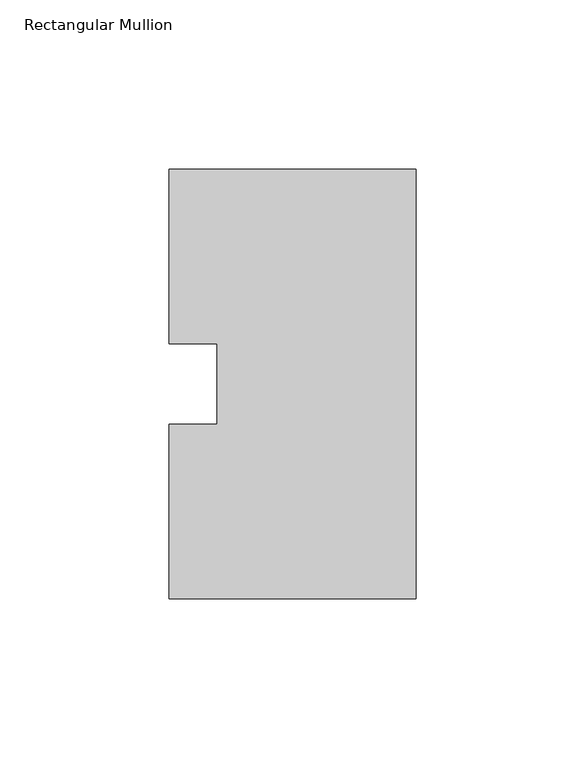
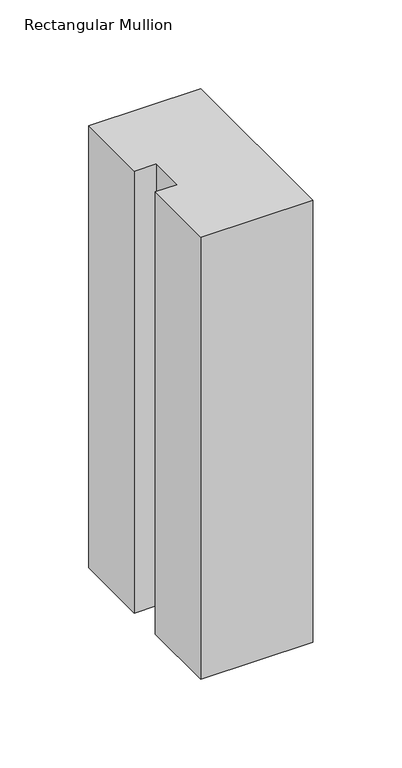
"""IFC4 building model written with IfcOpenShell, lengths in millimetres: member geometry, Rectangular Mullion."""

import ifcopenshell
import ifcopenshell.guid

model = None  # the IFC model being written
_history = None  # IfcOwnerHistory: only IFC2X3 demands one
_inside = {}  # id of a spatial element -> (the spatial element, [elements in it])
_under = {}  # id of a project, library or spatial element -> (it, [spatial elements below it])
_declared = {}  # id of a project -> (the project, [libraries it declares])
_typed = {}  # id of a type object -> (the type object, [elements of that type])
_made_of = {}  # id of a material, layer set ... -> (it, [elements and type objects made of it])


def new_model(schema):
    """Start an empty IFC model of exactly this schema.

    Asked for "IFC4X3", IfcOpenShell would pick the latest addendum, in which some entities
    have other attributes; the version numbers below select the first issue.
    IFC2X3 requires an IfcOwnerHistory on every rooted entity: one is made here for all.
    """
    global model, _history
    if schema == "IFC4X3":
        model = ifcopenshell.file(schema_version=(4, 3, 0, 0))
    else:
        model = ifcopenshell.file(schema=schema)
    _inside.clear()
    _under.clear()
    _declared.clear()
    _typed.clear()
    _made_of.clear()
    _history = None
    if model.schema == "IFC2X3":
        org = make("IfcOrganization", Name="unknown")
        user = make(
            "IfcPersonAndOrganization",
            ThePerson=make("IfcPerson", FamilyName="unknown"),
            TheOrganization=org,
        )
        app = make(
            "IfcApplication",
            ApplicationDeveloper=org,
            Version="unknown",
            ApplicationFullName="unknown",
            ApplicationIdentifier="unknown",
        )
        _history = make(
            "IfcOwnerHistory",
            OwningUser=user,
            OwningApplication=app,
            ChangeAction="ADDED",
            CreationDate=0,
        )
    return model


def make(cls, **values):
    """One entity of the class cls with the attributes given. An attribute that is None is left unset."""
    return model.create_entity(
        cls, **{name: value for name, value in values.items() if value is not None}
    )


def rooted(cls, **values):
    """An entity with a GlobalId (a new one), such as an element, a storey or a relation."""
    return make(cls, GlobalId=ifcopenshell.guid.new(), OwnerHistory=_history, **values)


def si_unit(unit_type, name, prefix=None):
    """IfcSIUnit, for example si_unit("LENGTHUNIT", "METRE", prefix="MILLI")."""
    return make("IfcSIUnit", UnitType=unit_type, Prefix=prefix, Name=name)


def assignment(units):
    """IfcUnitAssignment: the units of a project."""
    return None if units is None else make("IfcUnitAssignment", Units=units)


def point(xyz):
    """IfcCartesianPoint."""
    return None if xyz is None else make("IfcCartesianPoint", Coordinates=xyz)


def direction(xyz):
    """IfcDirection."""
    return None if xyz is None else make("IfcDirection", DirectionRatios=xyz)


def frame(location, z_axis=None, x_axis=None):
    """IfcAxis2Placement3D, a coordinate frame: its origin and axes. An axis left out is left unset."""
    return make(
        "IfcAxis2Placement3D",
        Location=point(location),
        Axis=direction(z_axis),
        RefDirection=direction(x_axis),
    )


def origin():
    """The frame at (0, 0, 0) with its axes left unset."""
    return frame((0.0, 0.0, 0.0))


def place(relative_to, where):
    """IfcLocalPlacement: puts the frame where relative to a parent placement (None: the world)."""
    return make(
        "IfcLocalPlacement", PlacementRelTo=relative_to, RelativePlacement=where
    )


def context(
    kind, dimensions, precision=None, world=None, true_north=None, identifier=None
):
    """IfcGeometricRepresentationContext, for example the 3D "Model" context."""
    return make(
        "IfcGeometricRepresentationContext",
        ContextIdentifier=identifier,
        ContextType=kind,
        CoordinateSpaceDimension=dimensions,
        Precision=precision,
        WorldCoordinateSystem=world,
        TrueNorth=true_north,
    )


def project(units=None, contexts=None):
    """IfcProject with its units and contexts."""
    return rooted(
        "IfcProject",
        Name="project",
        RepresentationContexts=contexts,
        UnitsInContext=assignment(units),
    )


def spatial(cls, under=None, at=None, **own):
    """A site, building, storey or space (cls), placed at a placement, below another one or the project."""
    s = rooted(cls, ObjectPlacement=at, **own)
    if under is not None:
        _under.setdefault(under.id(), (under, []))[1].append(s)
    return s


def polyline(points):
    """IfcPolyline through the points."""
    return make("IfcPolyline", Points=[point(p) for p in points])


def outline(outer, holes=None, kind="AREA"):
    """IfcArbitraryClosedProfileDef: a profile drawn as a closed curve; with holes, ...WithVoids."""
    if holes is None:
        return make("IfcArbitraryClosedProfileDef", ProfileType=kind, OuterCurve=outer)
    return make(
        "IfcArbitraryProfileDefWithVoids",
        ProfileType=kind,
        OuterCurve=outer,
        InnerCurves=holes,
    )


def extrude(swept, where, along, depth):
    """IfcExtrudedAreaSolid: the profile swept, set in the frame where, extruded along a direction by depth."""
    return make(
        "IfcExtrudedAreaSolid",
        SweptArea=swept,
        Position=where,
        ExtrudedDirection=direction(along),
        Depth=depth,
    )


def shape(context_of_items, identifier, shape_type, items):
    """IfcShapeRepresentation: the items that make up one representation, for example the "Body"."""
    return make(
        "IfcShapeRepresentation",
        ContextOfItems=context_of_items,
        RepresentationIdentifier=identifier,
        RepresentationType=shape_type,
        Items=items,
    )


def source(mapping_origin, context_of_items, identifier, shape_type, items):
    """IfcRepresentationMap: a shape defined once, which mapped items show again and again."""
    return make(
        "IfcRepresentationMap",
        MappingOrigin=mapping_origin,
        MappedRepresentation=shape(context_of_items, identifier, shape_type, items),
    )


def transform(
    local_origin,
    x_axis=None,
    y_axis=None,
    z_axis=None,
    scale=None,
    scale2=None,
    scale3=None,
    uniform=True,
):
    """IfcCartesianTransformationOperator3D, or its non-uniform kind. x_axis, y_axis, z_axis: its Axis1, 2, 3."""
    if uniform:
        return make(
            "IfcCartesianTransformationOperator3D",
            Axis1=direction(x_axis),
            Axis2=direction(y_axis),
            LocalOrigin=point(local_origin),
            Scale=scale,
            Axis3=direction(z_axis),
        )
    return make(
        "IfcCartesianTransformationOperator3DnonUniform",
        Axis1=direction(x_axis),
        Axis2=direction(y_axis),
        LocalOrigin=point(local_origin),
        Scale=scale,
        Axis3=direction(z_axis),
        Scale2=scale2,
        Scale3=scale3,
    )


def mapped(mapping_source, mapping_target):
    """IfcMappedItem: shows the shape of a source again, moved by a transform."""
    return make(
        "IfcMappedItem", MappingSource=mapping_source, MappingTarget=mapping_target
    )


def made_of(thing, what):
    """Note that an element or type object is made of a material, layer set ...; save() writes the relation."""
    if what is not None:
        _made_of.setdefault(what.id(), (what, []))[1].append(thing)
    return thing


def element(
    cls,
    number,
    at=None,
    inside=None,
    cuts=None,
    type_object=None,
    material=None,
    context=None,
    identifier="Body",
    shape_type=None,
    held_by="IfcProductDefinitionShape",
    body=None,
    shapes=None,
    **own,
):
    """One element of the class cls, such as IfcWall. Its Tag is "e" and its number.

    at: its placement. inside: the storey or other place that contains it. cuts: it is an
    opening in that element (IfcRelVoidsElement). A single representation is given by context,
    identifier, shape_type and body (its items); several are given by shapes. held_by: the class
    of the entity that holds the representations. save() writes the other relations.
    """
    e = rooted(cls, Tag="e%d" % number, ObjectPlacement=at, **own)
    if body is not None:
        shapes = [shape(context, identifier, shape_type, body)]
    if shapes is not None:
        e.Representation = make(held_by, Representations=shapes)
    if inside is not None:
        _inside.setdefault(inside.id(), (inside, []))[1].append(e)
    if cuts is not None:
        rooted(
            "IfcRelVoidsElement", RelatingBuildingElement=cuts, RelatedOpeningElement=e
        )
    if type_object is not None:
        _typed.setdefault(type_object.id(), (type_object, []))[1].append(e)
    return made_of(e, material)


def aggregate(whole, parts):
    """IfcRelAggregates: a whole, such as a stair, and the parts it consists of."""
    return rooted("IfcRelAggregates", RelatingObject=whole, RelatedObjects=parts)


def save(model, path):
    """Write the relations noted so far, then the file.

    IfcRelAggregates (storeys below a building ...), IfcRelContainedInSpatialStructure (elements
    in a storey), IfcRelDefinesByType, IfcRelAssociatesMaterial and IfcRelDeclares: one each for
    every whole, place, type object, material and project.
    """
    for whole, parts in _under.values():
        aggregate(whole, parts)
    for where, things in _inside.values():
        rooted(
            "IfcRelContainedInSpatialStructure",
            RelatedElements=things,
            RelatingStructure=where,
        )
    for kind, things in _typed.values():
        rooted("IfcRelDefinesByType", RelatedObjects=things, RelatingType=kind)
    for what, things in _made_of.values():
        rooted("IfcRelAssociatesMaterial", RelatedObjects=things, RelatingMaterial=what)
    for by, libraries in _declared.values():
        rooted("IfcRelDeclares", RelatingContext=by, RelatedDefinitions=libraries)
    model.write(path)


def rectangular_mullion_9881d605(model_context):
    return source(origin(), model_context, "Body", "SweptSolid", [
        extrude(outline(polyline([(0.0, 127.00635), (0.0, 0.00635), (-73.025, 0.00635), (-73.025, 51.60645), (-58.7375, 51.60645), (-58.7375, 75.40625), (-73.025, 75.40625), (-73.025, 127.00635), (0.0, 127.00635)])), frame((0.0, 0.0, -304.8), z_axis=(0.0, 0.0, 1.0), x_axis=(1.0, 0.0, 0.0)), (0.0, 0.0, 1.0), 304.8),
    ])


if __name__ == "__main__":
    model = new_model("IFC4")
    model_context = context("Model", 3, world=origin())
    ifc_project = project(units=[si_unit("LENGTHUNIT", "METRE", prefix="MILLI")], contexts=[model_context])
    site = spatial("IfcSite", under=ifc_project)
    building = spatial("IfcBuilding", under=site)
    placement = place(None, origin())
    rectangular_mullion_shape = rectangular_mullion_9881d605(model_context)
    element("IfcMember", 1, ObjectType="Rectangular Mullion", at=placement, inside=building, context=model_context, shape_type="MappedRepresentation", body=[
        mapped(rectangular_mullion_shape, transform((0.0, 0.0, 0.0), x_axis=(1.0, 0.0, 0.0), y_axis=(0.0, 1.0, 0.0), z_axis=(0.0, 0.0, 1.0))),
    ])
    save(model, "model.ifc")
